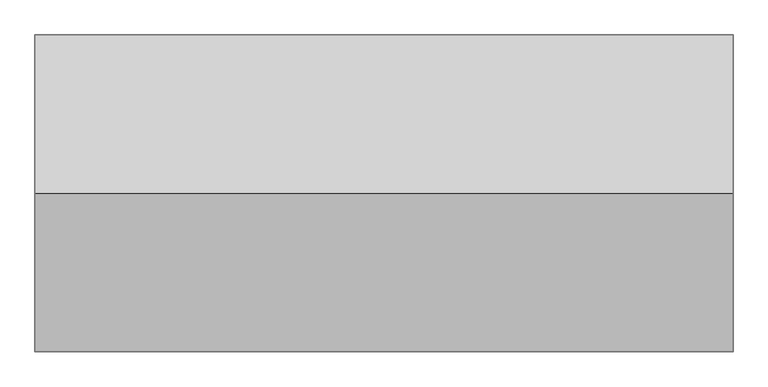
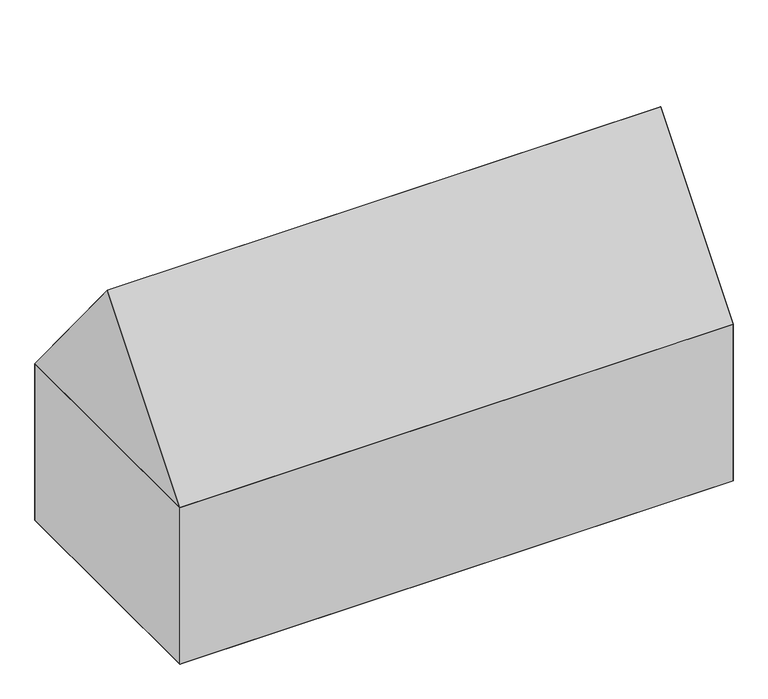
"""IFC4 building model written with IfcOpenShell, lengths in millimetres: geographic element geometry."""

from ifc_helpers import new_model, si_unit, origin, place, context, project, spatial, triangles, source, transform, mapped, element, save


def geographic_element_70d51fd0(model_context):
    return source(origin(), model_context, "Body", "Tessellation", [
        triangles([(15200.5570587, 518.1600145, 4406.2650581), (471.8303933, 3857.8630669, 8499.6335175), (471.8303933, 518.1600145, 4406.2650581), (15200.5570587, 3857.8630669, 8499.6335175), (15200.5570587, 7197.5664825, 4406.2650581), (471.8303933, 7197.5664825, 4406.2650581), (15200.5570587, 7197.5664825, 0.0), (471.8303933, 518.1600145, 0.0), (471.8303933, 7197.5664825, 0.0), (15200.5570587, 518.1600145, 0.0)], [[1, 2, 3], [2, 1, 4], [5, 4, 1], [6, 3, 2], [5, 3, 6], [3, 5, 1], [4, 6, 2], [6, 4, 5], [1, 6, 3], [6, 1, 5], [7, 8, 9], [8, 7, 10], [6, 8, 3], [8, 6, 9], [1, 8, 10], [8, 1, 3], [6, 7, 9], [7, 6, 5], [7, 1, 10], [1, 7, 5]], closed=False),
    ])


if __name__ == "__main__":
    model = new_model("IFC4")
    model_context = context("Model", 3, world=origin())
    ifc_project = project(units=[si_unit("LENGTHUNIT", "METRE", prefix="MILLI")], contexts=[model_context])
    site = spatial("IfcSite", under=ifc_project)
    building = spatial("IfcBuilding", under=site)
    placement = place(None, origin())
    geographic_element_shape = geographic_element_70d51fd0(model_context)
    element("IfcGeographicElement", 1, at=placement, inside=building, context=model_context, shape_type="MappedRepresentation", body=[
        mapped(geographic_element_shape, transform((0.0, 0.0, 0.0), x_axis=(1.0, 0.0, 0.0), y_axis=(0.0, 1.0, 0.0), z_axis=(0.0, 0.0, 1.0))),
    ])
    save(model, "model.ifc")
